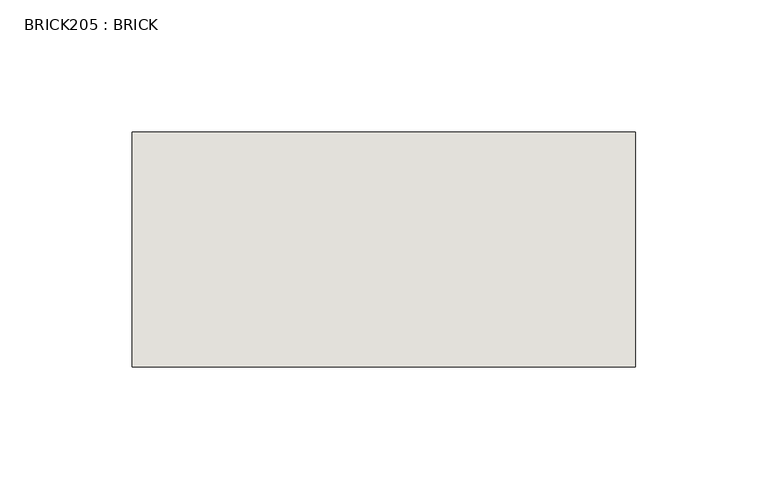
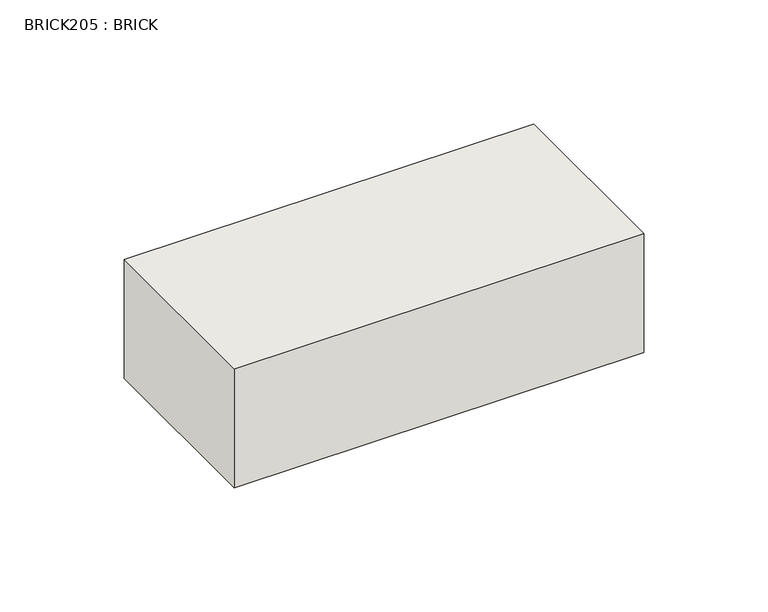
"""IFC4 building model written with IfcOpenShell, lengths in millimetres: wall geometry, BRICK205 : BRICK."""

from ifc_helpers import new_model, si_unit, frame, origin, place, context, project, spatial, polyline, outline, extrude, source, transform, mapped, element, save


def brick205_brick_ef65efa8(model_context):
    return source(origin(), model_context, "Body", "SweptSolid", [
        extrude(outline(polyline([(-971.9316239, 3062.3923312), (-781.4316239, 3062.3923312), (-781.4316239, 2973.4923312), (-971.9316239, 2973.4923312), (-971.9316239, 3062.3923312)])), frame((0.0, 0.0, 214.0148438), z_axis=(0.0, 0.0, 1.0), x_axis=(1.0, 0.0, 0.0)), (0.0, 0.0, 1.0), 58.4398437),
    ])


if __name__ == "__main__":
    model = new_model("IFC4")
    model_context = context("Model", 3, world=origin())
    ifc_project = project(units=[si_unit("LENGTHUNIT", "METRE", prefix="MILLI")], contexts=[model_context])
    site = spatial("IfcSite", under=ifc_project)
    building = spatial("IfcBuilding", under=site)
    placement = place(None, origin())
    brick205_brick_shape = brick205_brick_ef65efa8(model_context)
    element("IfcWall", 1, ObjectType="BRICK205 : BRICK", at=placement, inside=building, context=model_context, shape_type="MappedRepresentation", body=[
        mapped(brick205_brick_shape, transform((0.0, 0.0, 0.0), x_axis=(1.0, 0.0, 0.0), y_axis=(0.0, 1.0, 0.0), z_axis=(0.0, 0.0, 1.0))),
    ])
    save(model, "model.ifc")
